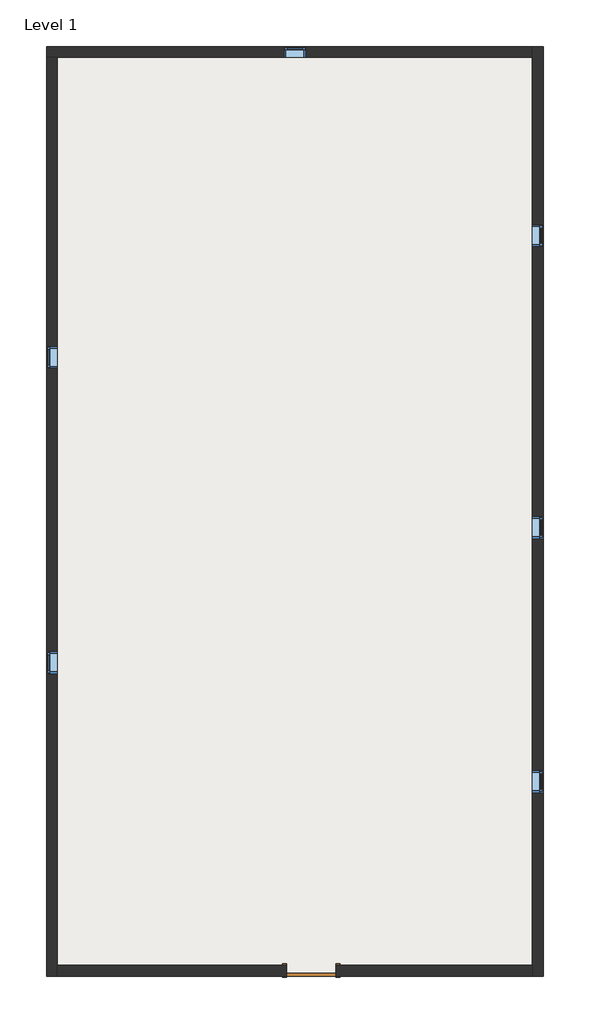
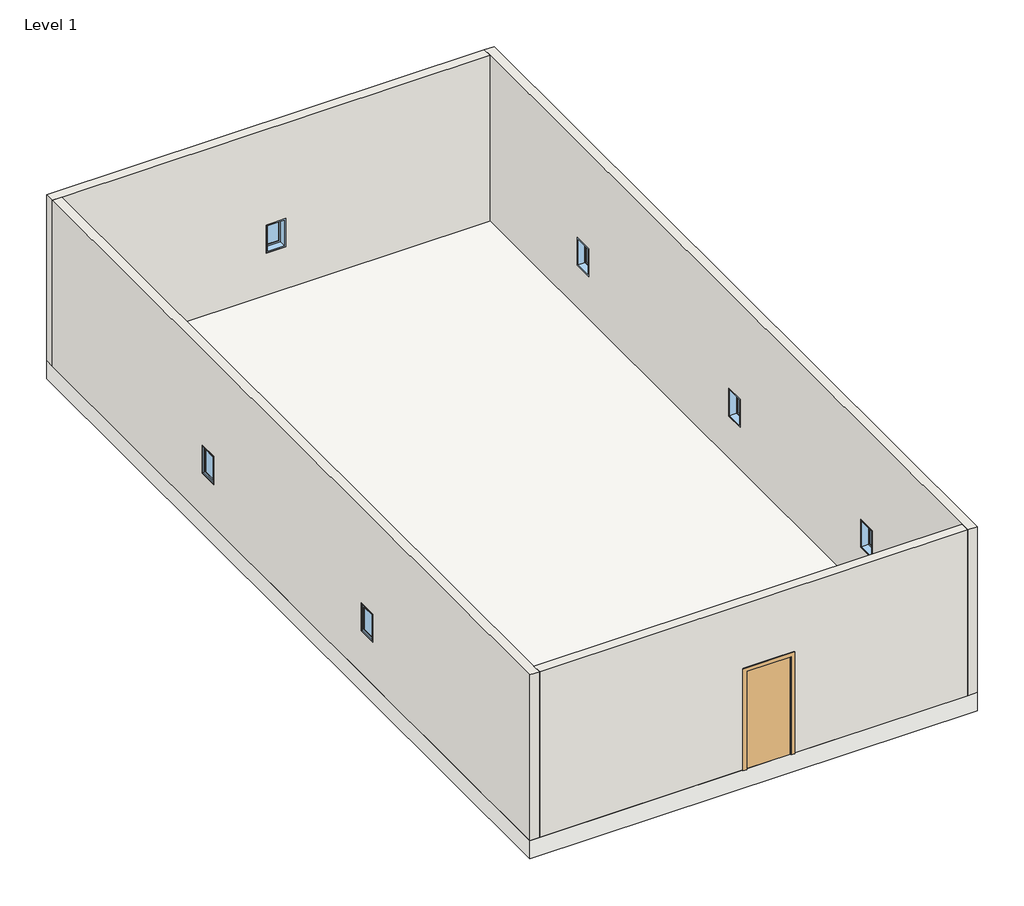
# One storey: 6 windows, 4 walls, 1 door, 1 slab.
"""IFC4 building model written with IfcOpenShell, lengths in millimetres."""

import ifcopenshell
import ifcopenshell.guid

model = None  # the IFC model being written
_history = None  # IfcOwnerHistory: only IFC2X3 demands one
_inside = {}  # id of a spatial element -> (the spatial element, [elements in it])
_under = {}  # id of a project, library or spatial element -> (it, [spatial elements below it])
_declared = {}  # id of a project -> (the project, [libraries it declares])
_typed = {}  # id of a type object -> (the type object, [elements of that type])
_made_of = {}  # id of a material, layer set ... -> (it, [elements and type objects made of it])


def new_model(schema):
    """Start an empty IFC model of exactly this schema.

    Asked for "IFC4X3", IfcOpenShell would pick the latest addendum, in which some entities
    have other attributes; the version numbers below select the first issue.
    IFC2X3 requires an IfcOwnerHistory on every rooted entity: one is made here for all.
    """
    global model, _history
    if schema == "IFC4X3":
        model = ifcopenshell.file(schema_version=(4, 3, 0, 0))
    else:
        model = ifcopenshell.file(schema=schema)
    _inside.clear()
    _under.clear()
    _declared.clear()
    _typed.clear()
    _made_of.clear()
    _history = None
    if model.schema == "IFC2X3":
        org = make("IfcOrganization", Name="unknown")
        user = make(
            "IfcPersonAndOrganization",
            ThePerson=make("IfcPerson", FamilyName="unknown"),
            TheOrganization=org,
        )
        app = make(
            "IfcApplication",
            ApplicationDeveloper=org,
            Version="unknown",
            ApplicationFullName="unknown",
            ApplicationIdentifier="unknown",
        )
        _history = make(
            "IfcOwnerHistory",
            OwningUser=user,
            OwningApplication=app,
            ChangeAction="ADDED",
            CreationDate=0,
        )
    return model


def make(cls, **values):
    """One entity of the class cls with the attributes given. An attribute that is None is left unset."""
    return model.create_entity(
        cls, **{name: value for name, value in values.items() if value is not None}
    )


def rooted(cls, **values):
    """An entity with a GlobalId (a new one), such as an element, a storey or a relation."""
    return make(cls, GlobalId=ifcopenshell.guid.new(), OwnerHistory=_history, **values)


def si_unit(unit_type, name, prefix=None):
    """IfcSIUnit, for example si_unit("LENGTHUNIT", "METRE", prefix="MILLI")."""
    return make("IfcSIUnit", UnitType=unit_type, Prefix=prefix, Name=name)


def assignment(units):
    """IfcUnitAssignment: the units of a project."""
    return None if units is None else make("IfcUnitAssignment", Units=units)


def point(xyz):
    """IfcCartesianPoint."""
    return None if xyz is None else make("IfcCartesianPoint", Coordinates=xyz)


def direction(xyz):
    """IfcDirection."""
    return None if xyz is None else make("IfcDirection", DirectionRatios=xyz)


def frame(location, z_axis=None, x_axis=None):
    """IfcAxis2Placement3D, a coordinate frame: its origin and axes. An axis left out is left unset."""
    return make(
        "IfcAxis2Placement3D",
        Location=point(location),
        Axis=direction(z_axis),
        RefDirection=direction(x_axis),
    )


def origin():
    """The frame at (0, 0, 0) with its axes left unset."""
    return frame((0.0, 0.0, 0.0))


def origin_with_axes():
    """The frame at (0, 0, 0) with the z axis (0, 0, 1) and the x axis (1, 0, 0) written out."""
    return frame((0.0, 0.0, 0.0), z_axis=(0.0, 0.0, 1.0), x_axis=(1.0, 0.0, 0.0))


def place(relative_to, where):
    """IfcLocalPlacement: puts the frame where relative to a parent placement (None: the world)."""
    return make(
        "IfcLocalPlacement", PlacementRelTo=relative_to, RelativePlacement=where
    )


def context(
    kind, dimensions, precision=None, world=None, true_north=None, identifier=None
):
    """IfcGeometricRepresentationContext, for example the 3D "Model" context."""
    return make(
        "IfcGeometricRepresentationContext",
        ContextIdentifier=identifier,
        ContextType=kind,
        CoordinateSpaceDimension=dimensions,
        Precision=precision,
        WorldCoordinateSystem=world,
        TrueNorth=true_north,
    )


def project(units=None, contexts=None):
    """IfcProject with its units and contexts."""
    return rooted(
        "IfcProject",
        Name="project",
        RepresentationContexts=contexts,
        UnitsInContext=assignment(units),
    )


def spatial(cls, under=None, at=None, **own):
    """A site, building, storey or space (cls), placed at a placement, below another one or the project."""
    s = rooted(cls, ObjectPlacement=at, **own)
    if under is not None:
        _under.setdefault(under.id(), (under, []))[1].append(s)
    return s


def polyline(points):
    """IfcPolyline through the points."""
    return make("IfcPolyline", Points=[point(p) for p in points])


def outline(outer, holes=None, kind="AREA"):
    """IfcArbitraryClosedProfileDef: a profile drawn as a closed curve; with holes, ...WithVoids."""
    if holes is None:
        return make("IfcArbitraryClosedProfileDef", ProfileType=kind, OuterCurve=outer)
    return make(
        "IfcArbitraryProfileDefWithVoids",
        ProfileType=kind,
        OuterCurve=outer,
        InnerCurves=holes,
    )


def extrude(swept, where, along, depth):
    """IfcExtrudedAreaSolid: the profile swept, set in the frame where, extruded along a direction by depth."""
    return make(
        "IfcExtrudedAreaSolid",
        SweptArea=swept,
        Position=where,
        ExtrudedDirection=direction(along),
        Depth=depth,
    )


def faces_of(points, faces, orient=None, outer=None):
    """IfcFace entities. A face is a list of loops; a loop is a list of indices into points, from 0.

    orient and outer hold one flag for each loop. By default every Orientation is true, the
    first loop of a face is its IfcFaceOuterBound and the others are IfcFaceBound.
    """
    made = []
    for i, loops in enumerate(faces):
        bounds = []
        for j, loop in enumerate(loops):
            is_outer = j == 0 if outer is None else outer[i][j]
            bounds.append(
                make(
                    "IfcFaceOuterBound" if is_outer else "IfcFaceBound",
                    Bound=make("IfcPolyLoop", Polygon=[points[k] for k in loop]),
                    Orientation=True if orient is None else orient[i][j],
                )
            )
        made.append(make("IfcFace", Bounds=bounds))
    return made


def faceted_brep(points, faces, orient=None, outer=None, voids=None):
    """IfcFacetedBrep: a solid bounded by flat faces; with voids (closed shells), ...WithVoids."""
    shared = [point(p) for p in points]
    hull = make("IfcClosedShell", CfsFaces=faces_of(shared, faces, orient, outer))
    if voids is None:
        return make("IfcFacetedBrep", Outer=hull)
    return make(
        "IfcFacetedBrepWithVoids",
        Outer=hull,
        Voids=[
            make(cls, CfsFaces=faces_of(shared, fs, o, b)) for cls, fs, o, b in voids
        ],
    )


def shape(context_of_items, identifier, shape_type, items):
    """IfcShapeRepresentation: the items that make up one representation, for example the "Body"."""
    return make(
        "IfcShapeRepresentation",
        ContextOfItems=context_of_items,
        RepresentationIdentifier=identifier,
        RepresentationType=shape_type,
        Items=items,
    )


def source(mapping_origin, context_of_items, identifier, shape_type, items):
    """IfcRepresentationMap: a shape defined once, which mapped items show again and again."""
    return make(
        "IfcRepresentationMap",
        MappingOrigin=mapping_origin,
        MappedRepresentation=shape(context_of_items, identifier, shape_type, items),
    )


def transform(
    local_origin,
    x_axis=None,
    y_axis=None,
    z_axis=None,
    scale=None,
    scale2=None,
    scale3=None,
    uniform=True,
):
    """IfcCartesianTransformationOperator3D, or its non-uniform kind. x_axis, y_axis, z_axis: its Axis1, 2, 3."""
    if uniform:
        return make(
            "IfcCartesianTransformationOperator3D",
            Axis1=direction(x_axis),
            Axis2=direction(y_axis),
            LocalOrigin=point(local_origin),
            Scale=scale,
            Axis3=direction(z_axis),
        )
    return make(
        "IfcCartesianTransformationOperator3DnonUniform",
        Axis1=direction(x_axis),
        Axis2=direction(y_axis),
        LocalOrigin=point(local_origin),
        Scale=scale,
        Axis3=direction(z_axis),
        Scale2=scale2,
        Scale3=scale3,
    )


def mapped(mapping_source, mapping_target):
    """IfcMappedItem: shows the shape of a source again, moved by a transform."""
    return make(
        "IfcMappedItem", MappingSource=mapping_source, MappingTarget=mapping_target
    )


def made_of(thing, what):
    """Note that an element or type object is made of a material, layer set ...; save() writes the relation."""
    if what is not None:
        _made_of.setdefault(what.id(), (what, []))[1].append(thing)
    return thing


def element(
    cls,
    number,
    at=None,
    inside=None,
    cuts=None,
    type_object=None,
    material=None,
    context=None,
    identifier="Body",
    shape_type=None,
    held_by="IfcProductDefinitionShape",
    body=None,
    shapes=None,
    **own,
):
    """One element of the class cls, such as IfcWall. Its Tag is "e" and its number.

    at: its placement. inside: the storey or other place that contains it. cuts: it is an
    opening in that element (IfcRelVoidsElement). A single representation is given by context,
    identifier, shape_type and body (its items); several are given by shapes. held_by: the class
    of the entity that holds the representations. save() writes the other relations.
    """
    e = rooted(cls, Tag="e%d" % number, ObjectPlacement=at, **own)
    if body is not None:
        shapes = [shape(context, identifier, shape_type, body)]
    if shapes is not None:
        e.Representation = make(held_by, Representations=shapes)
    if inside is not None:
        _inside.setdefault(inside.id(), (inside, []))[1].append(e)
    if cuts is not None:
        rooted(
            "IfcRelVoidsElement", RelatingBuildingElement=cuts, RelatedOpeningElement=e
        )
    if type_object is not None:
        _typed.setdefault(type_object.id(), (type_object, []))[1].append(e)
    return made_of(e, material)


def aggregate(whole, parts):
    """IfcRelAggregates: a whole, such as a stair, and the parts it consists of."""
    return rooted("IfcRelAggregates", RelatingObject=whole, RelatedObjects=parts)


def save(model, path):
    """Write the relations noted so far, then the file.

    IfcRelAggregates (storeys below a building ...), IfcRelContainedInSpatialStructure (elements
    in a storey), IfcRelDefinesByType, IfcRelAssociatesMaterial and IfcRelDeclares: one each for
    every whole, place, type object, material and project.
    """
    for whole, parts in _under.values():
        aggregate(whole, parts)
    for where, things in _inside.values():
        rooted(
            "IfcRelContainedInSpatialStructure",
            RelatedElements=things,
            RelatingStructure=where,
        )
    for kind, things in _typed.values():
        rooted("IfcRelDefinesByType", RelatedObjects=things, RelatingType=kind)
    for what, things in _made_of.values():
        rooted("IfcRelAssociatesMaterial", RelatedObjects=things, RelatingMaterial=what)
    for by, libraries in _declared.values():
        rooted("IfcRelDeclares", RelatingContext=by, RelatedDefinitions=libraries)
    model.write(path)


def m_single_flush_0915_x_2134mm_6a9e8738(model_context):
    return source(origin(), model_context, "Body", "SweptSolid", [
        extrude(outline(polyline([(2210.0, -533.5), (0.0, -533.5), (0.0, -457.5), (2134.0, -457.5), (2134.0, 457.5), (0.0, 457.5), (0.0, 533.5), (2210.0, 533.5), (2210.0, -533.5)])), frame((0.0, 100.0, 0.0), z_axis=(0.0, 1.0, 0.0), x_axis=(0.0, 0.0, 1.0)), (0.0, 0.0, 1.0), 25.0),
        extrude(outline(polyline([(2210.0, 533.5), (2210.0, -533.5), (0.0, -533.5), (0.0, -457.5), (2134.0, -457.5), (2134.0, 457.5), (0.0, 457.5), (0.0, 533.5), (2210.0, 533.5)])), frame((0.0, -125.0, 0.0), z_axis=(0.0, 1.0, 0.0), x_axis=(0.0, 0.0, 1.0)), (0.0, 0.0, 1.0), 25.0),
        extrude(outline(polyline([(457.5, 49.0), (-457.5, 49.0), (-457.5, 100.0), (457.5, 100.0), (457.5, 49.0)])), origin_with_axes(), (0.0, 0.0, 1.0), 2134.0),
    ])


def m_fixed_0406_x_0610mm_8205b201(model_context):
    return source(origin(), model_context, "Body", "SweptSolid", [
        extrude(outline(polyline([(-140.0, 78.0), (140.0, 78.0), (140.0, 66.0), (-140.0, 66.0), (-140.0, 78.0)])), frame((0.0, 0.0, 978.0), z_axis=(0.0, 0.0, 1.0), x_axis=(1.0, 0.0, 0.0)), (0.0, 0.0, 1.0), 484.0),
        extrude(outline(polyline([(1506.0, -184.0), (934.0, -184.0), (934.0, 184.0), (1506.0, 184.0), (1506.0, -184.0)]), holes=[polyline([(1462.0, -140.0), (1462.0, 140.0), (978.0, 140.0), (978.0, -140.0), (1462.0, -140.0)])]), frame((0.0, 50.0, 0.0), z_axis=(0.0, 1.0, 0.0), x_axis=(0.0, 0.0, 1.0)), (0.0, 0.0, 1.0), 44.0),
        extrude(outline(polyline([(1525.0, -203.0), (915.0, -203.0), (915.0, 203.0), (1525.0, 203.0), (1525.0, -203.0)]), holes=[polyline([(1506.0, -184.0), (1506.0, 184.0), (934.0, 184.0), (934.0, -184.0), (1506.0, -184.0)])]), frame((0.0, 50.0, 0.0), z_axis=(0.0, 1.0, 0.0), x_axis=(0.0, 0.0, 1.0)), (0.0, 0.0, 1.0), 63.0),
        extrude(outline(polyline([(1525.0, -203.0), (915.0, -203.0), (915.0, 203.0), (1525.0, 203.0), (1525.0, -203.0)]), holes=[polyline([(1493.0, -171.0), (1493.0, 171.0), (947.0, 171.0), (947.0, -171.0), (1493.0, -171.0)])]), frame((0.0, -87.0, 0.0), z_axis=(0.0, 1.0, 0.0), x_axis=(0.0, 0.0, 1.0)), (0.0, 0.0, 1.0), 137.0),
    ])


def m_fixed_0406_x_0610mm_98f1b7d8(model_context):
    return source(origin(), model_context, "Body", "SweptSolid", [
        extrude(outline(polyline([(-140.0, -78.0), (-140.0, -66.0), (140.0, -66.0), (140.0, -78.0), (-140.0, -78.0)])), frame((0.0, 0.0, 978.0), z_axis=(0.0, 0.0, 1.0), x_axis=(1.0, 0.0, 0.0)), (0.0, 0.0, 1.0), 484.0),
        extrude(outline(polyline([(1506.0, -184.0), (934.0, -184.0), (934.0, 184.0), (1506.0, 184.0), (1506.0, -184.0)]), holes=[polyline([(1462.0, -140.0), (1462.0, 140.0), (978.0, 140.0), (978.0, -140.0), (1462.0, -140.0)])]), frame((0.0, -94.0, 0.0), z_axis=(0.0, 1.0, 0.0), x_axis=(0.0, 0.0, 1.0)), (0.0, 0.0, 1.0), 44.0),
        extrude(outline(polyline([(1525.0, -203.0), (915.0, -203.0), (915.0, 203.0), (1525.0, 203.0), (1525.0, -203.0)]), holes=[polyline([(1506.0, -184.0), (1506.0, 184.0), (934.0, 184.0), (934.0, -184.0), (1506.0, -184.0)])]), frame((0.0, -113.0, 0.0), z_axis=(0.0, 1.0, 0.0), x_axis=(0.0, 0.0, 1.0)), (0.0, 0.0, 1.0), 63.0),
        extrude(outline(polyline([(1525.0, -203.0), (915.0, -203.0), (915.0, 203.0), (1525.0, 203.0), (1525.0, -203.0)]), holes=[polyline([(1493.0, -171.0), (1493.0, 171.0), (947.0, 171.0), (947.0, -171.0), (1493.0, -171.0)])]), frame((0.0, -50.0, 0.0), z_axis=(0.0, 1.0, 0.0), x_axis=(0.0, 0.0, 1.0)), (0.0, 0.0, 1.0), 137.0),
    ])


model = new_model("IFC4")

# Units and contexts
model_context = context("Model", 3, world=origin())
ifc_project = project(units=[si_unit("LENGTHUNIT", "METRE", prefix="MILLI")], contexts=[model_context])

# Site, building, storey
site = spatial("IfcSite", under=ifc_project)
building = spatial("IfcBuilding", under=site)
storey = spatial("IfcBuildingStorey", under=building, Name="Level 1", Elevation=0.0)

# Door
placement = place(None, origin())
m_single_flush_0915_x_2134mm_shape = m_single_flush_0915_x_2134mm_6a9e8738(model_context)
element("IfcDoor", 1, ObjectType="M_Single-Flush : 0915 x 2134mm", at=placement, inside=storey, context=model_context, shape_type="MappedRepresentation", body=[
    mapped(m_single_flush_0915_x_2134mm_shape, transform((-8811.4984529, -10451.9806234, 0.0), x_axis=(-1.0, 0.0, 0.0), y_axis=(0.0, -1.0, 0.0), z_axis=(0.0, 0.0, 1.0))),
])

# Slab
element("IfcSlab", 2, ObjectType="Generic Floor - 400mm", at=placement, inside=storey, context=model_context, shape_type="SweptSolid", body=[
    extrude(outline(polyline([(-4511.4984529, 6648.0193766), (-4511.4984529, -10551.9806234), (-13711.4984529, -10551.9806234), (-13711.4984529, 6648.0193766), (-4511.4984529, 6648.0193766)])), frame((0.0, 0.0, -400.0), z_axis=(0.0, 0.0, 1.0), x_axis=(1.0, 0.0, 0.0)), (0.0, 0.0, 1.0), 400.0),
])

# Walls
element("IfcWall", 3, ObjectType="Generic - 200mm", at=placement, inside=storey, context=model_context, shape_type="Brep", body=[
    faceted_brep([(-13711.4984529, 6448.0193766, 0.0), (-13511.4984529, 6448.0193766, 0.0), (-4711.4984529, 6448.0193766, 0.0), (-4711.4984529, 6448.0193766, 3600.0), (-13511.4984529, 6448.0193766, 3600.0), (-13711.4984529, 6448.0193766, 3600.0), (-8908.4984529, 6448.0193766, 915.0), (-9314.4984529, 6448.0193766, 915.0), (-9314.4984529, 6448.0193766, 1525.0), (-8908.4984529, 6448.0193766, 1525.0), (-13711.4984529, 6648.0193766, 0.0), (-13711.4984529, 6648.0193766, 3600.0), (-4711.4984529, 6648.0193766, 3600.0), (-4711.4984529, 6648.0193766, 0.0), (-8908.4984529, 6648.0193766, 915.0), (-8908.4984529, 6648.0193766, 1525.0), (-9314.4984529, 6648.0193766, 1525.0), (-9314.4984529, 6648.0193766, 915.0)], [[[0, 1, 2, 3, 4, 5], [6, 7, 8, 9]], [[10, 11, 12, 13], [14, 15, 16, 17]], [[2, 1, 0, 10, 13]], [[5, 4, 3, 12, 11]], [[0, 5, 11, 10]], [[3, 2, 13, 12]], [[15, 14, 6, 9]], [[16, 15, 9, 8]], [[17, 16, 8, 7]], [[14, 17, 7, 6]]]),
])
element("IfcWall", 4, ObjectType="Generic - 200mm", at=placement, inside=storey, context=model_context, shape_type="Brep", body=[
    faceted_brep([(-13511.4984529, -10551.9806234, 0.0), (-13511.4984529, -10351.9806234, 0.0), (-13511.4984529, 6448.0193766, 0.0), (-13511.4984529, 6448.0193766, 3600.0), (-13511.4984529, -10351.9806234, 3600.0), (-13511.4984529, -10551.9806234, 3600.0), (-13511.4984529, -4548.9806234, 915.0), (-13511.4984529, -4954.9806234, 915.0), (-13511.4984529, -4954.9806234, 1525.0), (-13511.4984529, -4548.9806234, 1525.0), (-13511.4984529, 1101.0193766, 915.0), (-13511.4984529, 695.0193766, 915.0), (-13511.4984529, 695.0193766, 1525.0), (-13511.4984529, 1101.0193766, 1525.0), (-13711.4984529, -10551.9806234, 0.0), (-13711.4984529, -10551.9806234, 3600.0), (-13711.4984529, 6448.0193766, 3600.0), (-13711.4984529, 6448.0193766, 0.0), (-13711.4984529, -4548.9806234, 915.0), (-13711.4984529, -4548.9806234, 1525.0), (-13711.4984529, -4954.9806234, 1525.0), (-13711.4984529, -4954.9806234, 915.0), (-13711.4984529, 1101.0193766, 915.0), (-13711.4984529, 1101.0193766, 1525.0), (-13711.4984529, 695.0193766, 1525.0), (-13711.4984529, 695.0193766, 915.0)], [[[0, 1, 2, 3, 4, 5], [6, 7, 8, 9], [10, 11, 12, 13]], [[14, 15, 16, 17], [18, 19, 20, 21], [22, 23, 24, 25]], [[2, 1, 0, 14, 17]], [[5, 4, 3, 16, 15]], [[0, 5, 15, 14]], [[3, 2, 17, 16]], [[19, 18, 6, 9]], [[20, 19, 9, 8]], [[21, 20, 8, 7]], [[18, 21, 7, 6]], [[23, 22, 10, 13]], [[24, 23, 13, 12]], [[25, 24, 12, 11]], [[22, 25, 11, 10]]]),
])
element("IfcWall", 5, ObjectType="Generic - 200mm", at=placement, inside=storey, context=model_context, shape_type="SweptSolid", body=[
    extrude(outline(polyline([(0.0, -13511.4984529), (0.0, -9268.9984529), (2134.0, -9268.9984529), (2134.0, -8353.9984529), (0.0, -8353.9984529), (0.0, -4711.4984529), (3600.0, -4711.4984529), (3600.0, -13511.4984529), (0.0, -13511.4984529)])), frame((0.0, -10551.9806234, 0.0), z_axis=(0.0, 1.0, 0.0), x_axis=(0.0, 0.0, 1.0)), (0.0, 0.0, 1.0), 200.0),
])
element("IfcWall", 6, ObjectType="Generic - 200mm", at=placement, inside=storey, context=model_context, shape_type="Brep", body=[
    faceted_brep([(-4511.4984529, -10551.9806234, 0.0), (-4511.4984529, 6648.0193766, 0.0), (-4511.4984529, 6648.0193766, 3600.0), (-4511.4984529, -10551.9806234, 3600.0), (-4511.4984529, -7154.9806234, 915.0), (-4511.4984529, -7154.9806234, 1525.0), (-4511.4984529, -6748.9806234, 1525.0), (-4511.4984529, -6748.9806234, 915.0), (-4511.4984529, -2048.9806234, 915.0), (-4511.4984529, -2454.9806234, 915.0), (-4511.4984529, -2454.9806234, 1525.0), (-4511.4984529, -2048.9806234, 1525.0), (-4511.4984529, 3351.0193766, 915.0), (-4511.4984529, 2945.0193766, 915.0), (-4511.4984529, 2945.0193766, 1525.0), (-4511.4984529, 3351.0193766, 1525.0), (-4711.4984529, -10551.9806234, 0.0), (-4711.4984529, -10551.9806234, 3600.0), (-4711.4984529, -10351.9806234, 3600.0), (-4711.4984529, 6448.0193766, 3600.0), (-4711.4984529, 6648.0193766, 3600.0), (-4711.4984529, 6648.0193766, 0.0), (-4711.4984529, 6448.0193766, 0.0), (-4711.4984529, -10351.9806234, 0.0), (-4711.4984529, -7154.9806234, 915.0), (-4711.4984529, -6748.9806234, 915.0), (-4711.4984529, -6748.9806234, 1525.0), (-4711.4984529, -7154.9806234, 1525.0), (-4711.4984529, -2048.9806234, 915.0), (-4711.4984529, -2048.9806234, 1525.0), (-4711.4984529, -2454.9806234, 1525.0), (-4711.4984529, -2454.9806234, 915.0), (-4711.4984529, 3351.0193766, 915.0), (-4711.4984529, 3351.0193766, 1525.0), (-4711.4984529, 2945.0193766, 1525.0), (-4711.4984529, 2945.0193766, 915.0)], [[[0, 1, 2, 3], [4, 5, 6, 7], [8, 9, 10, 11], [12, 13, 14, 15]], [[16, 17, 18, 19, 20, 21, 22, 23], [24, 25, 26, 27], [28, 29, 30, 31], [32, 33, 34, 35]], [[1, 0, 16, 23, 22, 21]], [[3, 2, 20, 19, 18, 17]], [[2, 1, 21, 20]], [[0, 3, 17, 16]], [[5, 4, 24, 27]], [[6, 5, 27, 26]], [[7, 6, 26, 25]], [[4, 7, 25, 24]], [[29, 28, 8, 11]], [[30, 29, 11, 10]], [[31, 30, 10, 9]], [[28, 31, 9, 8]], [[33, 32, 12, 15]], [[34, 33, 15, 14]], [[35, 34, 14, 13]], [[32, 35, 13, 12]]]),
])

# Windows
m_fixed_0406_x_0610mm_shape = m_fixed_0406_x_0610mm_8205b201(model_context)
element("IfcWindow", 7, ObjectType="M_Fixed : 0406 x 0610mm", at=placement, inside=storey, context=model_context, shape_type="MappedRepresentation", body=[
    mapped(m_fixed_0406_x_0610mm_shape, transform((-4624.4984529, -2251.9806234, 0.0), x_axis=(0.0, -1.0, 0.0), y_axis=(1.0, 0.0, 0.0), z_axis=(0.0, 0.0, 1.0))),
])
element("IfcWindow", 8, ObjectType="M_Fixed : 0406 x 0610mm", at=placement, inside=storey, context=model_context, shape_type="MappedRepresentation", body=[
    mapped(m_fixed_0406_x_0610mm_shape, transform((-4624.4984529, 3148.0193766, 0.0), x_axis=(0.0, -1.0, 0.0), y_axis=(1.0, 0.0, 0.0), z_axis=(0.0, 0.0, 1.0))),
])
m_fixed_0406_x_0610mm_2_shape = m_fixed_0406_x_0610mm_98f1b7d8(model_context)
element("IfcWindow", 9, ObjectType="M_Fixed : 0406 x 0610mm", at=placement, inside=storey, context=model_context, shape_type="MappedRepresentation", body=[
    mapped(m_fixed_0406_x_0610mm_2_shape, transform((-13598.4984529, -4751.9806234, 0.0), x_axis=(0.0, -1.0, 0.0), y_axis=(1.0, 0.0, 0.0), z_axis=(0.0, 0.0, 1.0))),
])
element("IfcWindow", 10, ObjectType="M_Fixed : 0406 x 0610mm", at=placement, inside=storey, context=model_context, shape_type="MappedRepresentation", body=[
    mapped(m_fixed_0406_x_0610mm_2_shape, transform((-13598.4984529, 898.0193766, 0.0), x_axis=(0.0, -1.0, 0.0), y_axis=(1.0, 0.0, 0.0), z_axis=(0.0, 0.0, 1.0))),
])
element("IfcWindow", 11, ObjectType="M_Fixed : 0406 x 0610mm", at=placement, inside=storey, context=model_context, shape_type="MappedRepresentation", body=[
    mapped(m_fixed_0406_x_0610mm_2_shape, transform((-4624.4984529, -6951.9806234, 0.0), x_axis=(0.0, 1.0, 0.0), y_axis=(-1.0, 0.0, 0.0), z_axis=(0.0, 0.0, 1.0))),
])
element("IfcWindow", 12, ObjectType="M_Fixed : 0406 x 0610mm", at=placement, inside=storey, context=model_context, shape_type="MappedRepresentation", body=[
    mapped(m_fixed_0406_x_0610mm_2_shape, transform((-9111.4984529, 6535.0193766, 0.0), x_axis=(-1.0, 0.0, 0.0), y_axis=(0.0, -1.0, 0.0), z_axis=(0.0, 0.0, 1.0))),
])

save(model, "model.ifc")
